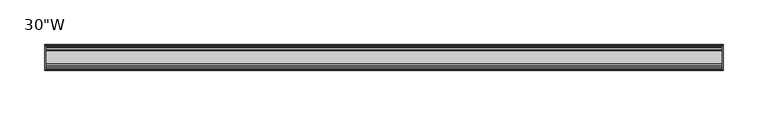
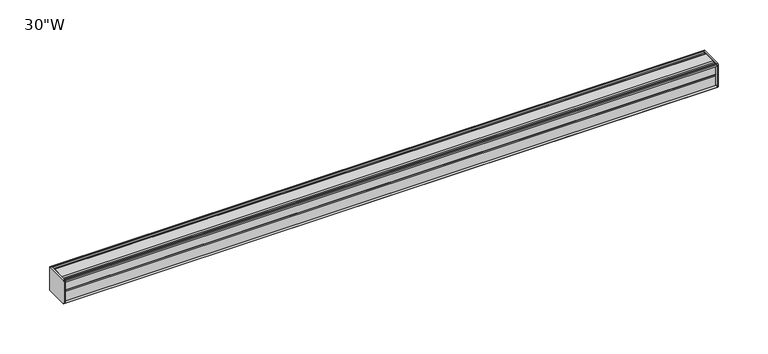
"""IFC4 building model written with IfcOpenShell, lengths in millimetres: furniture geometry."""

from ifc_helpers import new_model, si_unit, frame, origin, place, context, project, spatial, circle_curve, source, transform, mapped, element, save
from ifc_brep_helpers import plane_surface, cylinder_surface, advanced_brep


def furniture_2165369f(model_context):
    return source(origin(), model_context, "Body", "AdvancedBrep", [
        advanced_brep(
        [(379.4125, 14.5851562, 1370.1733137), (379.4125, 14.5851562, 1344.0229752), (379.4125, 14.4138595, 1343.2170872), (379.4125, 13.8374434, 1342.6406712), (379.4125, 12.9019306, 1342.3900006), (379.4125, -13.4067434, 1342.3900006), (379.4125, -14.3040014, 1343.2872586), (379.4125, -14.5851563, 1344.0556673), (379.4125, -14.5851563, 1369.9740202), (379.4125, -14.3040014, 1370.7424289), (379.4125, -13.4464303, 1371.6), (379.4125, 13.0500437, 1371.6), (379.4125, 13.8374434, 1371.3890163), (379.4125, 14.4138595, 1370.8126003), (381.0, 14.6248431, 1370.0252006), (381.0, 14.4138595, 1370.8126003), (381.0, 13.8374434, 1371.3890163), (381.0, 13.0500437, 1371.6), (381.0, -13.4464303, 1371.6), (381.0, -14.3040014, 1370.7424289), (381.0, -14.5851563, 1369.9740202), (381.0, -14.5851563, 1344.0556673), (381.0, -14.3040014, 1343.2872586), (381.0, -13.4067434, 1342.3900006), (381.0, 12.9019306, 1342.3900006), (381.0, 13.8374434, 1342.6406712), (381.0, 14.4138595, 1343.2170872), (381.0, 14.5851562, 1344.0229752)],
        [
            (0, 1),
            (1, 2),
            (2, 3),
            (3, 4),
            (4, 5),
            (5, 6),
            (6, 7, circle_curve(frame((379.4125, -13.3945313, 1344.0556673), z_axis=(-1.0, 0.0, 0.0), x_axis=(0.0, 1.0, 0.0)), 1.190625)),
            (7, 8),
            (8, 9, circle_curve(frame((379.4125, -13.3945313, 1369.9740202), z_axis=(-1.0, 0.0, 0.0), x_axis=(0.0, 1.0, 0.0)), 1.190625)),
            (9, 10),
            (10, 11),
            (11, 12),
            (12, 13),
            (13, 0),
            (14, 15),
            (15, 16),
            (16, 17),
            (17, 18),
            (18, 19),
            (19, 20, circle_curve(frame((381.0, -13.3945313, 1369.9740202), z_axis=(1.0, 0.0, 0.0), x_axis=(0.0, 1.0, 0.0)), 1.190625)),
            (20, 21),
            (21, 22, circle_curve(frame((381.0, -13.3945313, 1344.0556673), z_axis=(1.0, 0.0, 0.0), x_axis=(0.0, 1.0, 0.0)), 1.190625)),
            (22, 23),
            (23, 24),
            (24, 25),
            (25, 26),
            (26, 27),
            (27, 14),
            (13, 15),
            (14, 0),
            (12, 16),
            (11, 17),
            (10, 18),
            (9, 19),
            (8, 20),
            (7, 21),
            (6, 22),
            (5, 23),
            (4, 24),
            (3, 25),
            (2, 26),
            (1, 27),
        ],
        [
            plane_surface(frame((379.4125, 14.5851562, 1344.0229752), z_axis=(-1.0, 0.0, 0.0), x_axis=(0.0, 0.0, -1.0))),
            plane_surface(frame((381.0, 14.5851562, 1344.0229752), z_axis=(1.0, 0.0, 0.0), x_axis=(0.0, 0.0, 1.0))),
            plane_surface(frame((379.4125, 14.4138595, 1370.8126003), z_axis=(0.0, 0.9659256560349851, 0.25881968049857335), x_axis=(1.0, 0.0, 0.0))),
            plane_surface(frame((379.4125, 13.8374434, 1371.3890163), z_axis=(0.0, 0.7071067811866345, 0.7071067811864606), x_axis=(1.0, 0.0, 0.0))),
            plane_surface(frame((379.4125, 13.0500437, 1371.6), z_axis=(0.0, 0.2588196804711877, 0.9659256560423232), x_axis=(1.0, 0.0, 0.0))),
            plane_surface(frame((379.4125, -13.4464303, 1371.6), z_axis=(0.0, 0.0, 1.0), x_axis=(1.0, 0.0, 0.0))),
            plane_surface(frame((379.4125, -14.3040014, 1370.7424289), z_axis=(0.0, -0.70710678117674, 0.7071067811963553), x_axis=(1.0, 0.0, 0.0))),
            cylinder_surface(frame((381.0, -13.3945313, 1369.9740202), z_axis=(-1.0, 0.0, 0.0), x_axis=(0.0, 1.0, 0.0)), 1.190625),
            plane_surface(frame((379.4125, -14.5851563, 1344.0556673), z_axis=(0.0, -1.0, 0.0), x_axis=(1.0, 0.0, 0.0))),
            cylinder_surface(frame((381.0, -13.3945313, 1344.0556673), z_axis=(-1.0, 0.0, 0.0), x_axis=(0.0, 1.0, 0.0)), 1.190625),
            plane_surface(frame((379.4125, -13.4067434, 1342.3900006), z_axis=(0.0, -0.7071067811916553, -0.7071067811814398), x_axis=(1.0, 0.0, 0.0))),
            plane_surface(frame((379.4125, 12.9019306, 1342.3900006), z_axis=(0.0, 0.0, -1.0), x_axis=(1.0, 0.0, 0.0))),
            plane_surface(frame((379.4125, 13.8374434, 1342.6406712), z_axis=(0.0, 0.2588196804985645, -0.9659256560349875), x_axis=(1.0, 0.0, 0.0))),
            plane_surface(frame((379.4125, 14.4138595, 1343.2170872), z_axis=(0.0, 0.7071067811865204, -0.7071067811865748), x_axis=(1.0, 0.0, 0.0))),
            plane_surface(frame((379.4125, 14.5851562, 1344.0229752), z_axis=(0.0, 0.9781476007310527, -0.207911690830711), x_axis=(1.0, 0.0, 0.0))),
            plane_surface(frame((379.4125, 14.5851562, 1370.1733137), z_axis=(0.0, 1.0, 0.0), x_axis=(1.0, 0.0, 0.0))),
        ],
        [
            (0, [[1, 2, 3, 4, 5, 6, 7, 8, 9, 10, 11, 12, 13, 14]]),
            (1, [[15, 16, 17, 18, 19, 20, 21, 22, 23, 24, 25, 26, 27, 28]]),
            (2, [[-14, 29, -15, 30]]),
            (3, [[-13, 31, -16, -29]]),
            (4, [[-12, 32, -17, -31]]),
            (5, [[-11, 33, -18, -32]]),
            (6, [[-10, 34, -19, -33]]),
            (7, [[-9, 35, -20, -34]]),
            (8, [[-8, 36, -21, -35]]),
            (9, [[-7, 37, -22, -36]]),
            (10, [[-6, 38, -23, -37]]),
            (11, [[-5, 39, -24, -38]]),
            (12, [[-4, 40, -25, -39]]),
            (13, [[-3, 41, -26, -40]]),
            (14, [[-2, 42, -27, -41]]),
            (15, [[-1, -30, -28, -42]]),
        ],
    ),
        advanced_brep(
        [(-379.4125, 14.6248431, 1370.0252006), (-379.4125, 14.4138595, 1370.8126003), (-379.4125, 13.8374434, 1371.3890163), (-379.4125, 13.0500437, 1371.6), (-379.4125, -13.4464303, 1371.6), (-379.4125, -14.3040014, 1370.7424289), (-379.4125, -14.5851563, 1369.9740202), (-379.4125, -14.5851563, 1344.0556673), (-379.4125, -14.3040014, 1343.2872586), (-379.4125, -13.4067434, 1342.3900006), (-379.4125, 12.9019306, 1342.3900006), (-379.4125, 13.8374434, 1342.6406712), (-379.4125, 14.4138595, 1343.2170872), (-379.4125, 14.5851562, 1344.0229752), (-381.0, 14.5851562, 1370.1733137), (-381.0, 14.5851562, 1344.0229752), (-381.0, 14.4138595, 1343.2170872), (-381.0, 13.8374434, 1342.6406712), (-381.0, 12.9019306, 1342.3900006), (-381.0, -13.4067434, 1342.3900006), (-381.0, -14.3040014, 1343.2872586), (-381.0, -14.5851563, 1344.0556673), (-381.0, -14.5851563, 1369.9740202), (-381.0, -14.3040014, 1370.7424289), (-381.0, -13.4464303, 1371.6), (-381.0, 13.0500437, 1371.6), (-381.0, 13.8374434, 1371.3890163), (-381.0, 14.4138595, 1370.8126003)],
        [
            (0, 1),
            (1, 2),
            (2, 3),
            (3, 4),
            (4, 5),
            (5, 6, circle_curve(frame((-379.4125, -13.3945313, 1369.9740202), z_axis=(1.0, 0.0, 0.0), x_axis=(0.0, 1.0, 0.0)), 1.190625)),
            (6, 7),
            (7, 8, circle_curve(frame((-379.4125, -13.3945313, 1344.0556673), z_axis=(1.0, 0.0, 0.0), x_axis=(0.0, 1.0, 0.0)), 1.190625)),
            (8, 9),
            (9, 10),
            (10, 11),
            (11, 12),
            (12, 13),
            (13, 0),
            (14, 15),
            (15, 16),
            (16, 17),
            (17, 18),
            (18, 19),
            (19, 20),
            (20, 21, circle_curve(frame((-381.0, -13.3945313, 1344.0556673), z_axis=(-1.0, 0.0, 0.0), x_axis=(0.0, 1.0, 0.0)), 1.190625)),
            (21, 22),
            (22, 23, circle_curve(frame((-381.0, -13.3945313, 1369.9740202), z_axis=(-1.0, 0.0, 0.0), x_axis=(0.0, 1.0, 0.0)), 1.190625)),
            (23, 24),
            (24, 25),
            (25, 26),
            (26, 27),
            (27, 14),
            (0, 14),
            (27, 1),
            (26, 2),
            (25, 3),
            (24, 4),
            (23, 5),
            (22, 6),
            (21, 7),
            (20, 8),
            (19, 9),
            (18, 10),
            (17, 11),
            (16, 12),
            (15, 13),
        ],
        [
            plane_surface(frame((-379.4125, 14.6248431, 1370.0252006), z_axis=(1.0, 0.0, 0.0), x_axis=(0.0, -0.2588196804389644, 0.9659256560509574))),
            plane_surface(frame((-381.0, 14.6248431, 1370.0252006), z_axis=(-1.0, 0.0, 0.0), x_axis=(0.0, 0.2588196804389644, -0.9659256560509574))),
            plane_surface(frame((-379.4125, 14.6248431, 1370.0252006), z_axis=(0.0, 0.9659256560509574, 0.2588196804389644), x_axis=(-1.0, 0.0, 0.0))),
            plane_surface(frame((-379.4125, 14.4138595, 1370.8126003), z_axis=(0.0, 0.7071067810674612, 0.7071067813056339), x_axis=(-1.0, 0.0, 0.0))),
            plane_surface(frame((-379.4125, 13.8374434, 1371.3890163), z_axis=(0.0, 0.2588196804841774, 0.9659256560388426), x_axis=(-1.0, 0.0, 0.0))),
            plane_surface(frame((-379.4125, 13.0500437, 1371.6), z_axis=(0.0, 0.0, 1.0), x_axis=(-1.0, 0.0, 0.0))),
            plane_surface(frame((-379.4125, -13.4464303, 1371.6), z_axis=(0.0, -0.7071067811883577, 0.7071067811847374), x_axis=(-1.0, 0.0, 0.0))),
            cylinder_surface(frame((-381.0, -13.3945313, 1369.9740202), z_axis=(1.0, 0.0, 0.0), x_axis=(0.0, 1.0, 0.0)), 1.190625),
            plane_surface(frame((-379.4125, -14.5851563, 1369.9740202), z_axis=(0.0, -1.0, 0.0), x_axis=(-1.0, 0.0, 0.0))),
            cylinder_surface(frame((-381.0, -13.3945313, 1344.0556673), z_axis=(1.0, 0.0, 0.0), x_axis=(0.0, 1.0, 0.0)), 1.190625),
            plane_surface(frame((-379.4125, -14.3040014, 1343.2872586), z_axis=(0.0, -0.7071067811865341, -0.7071067811865609), x_axis=(-1.0, 0.0, 0.0))),
            plane_surface(frame((-379.4125, -13.4067434, 1342.3900006), z_axis=(0.0, 0.0, -1.0), x_axis=(-1.0, 0.0, 0.0))),
            plane_surface(frame((-379.4125, 12.9019306, 1342.3900006), z_axis=(0.0, 0.25881968049856513, -0.9659256560349874), x_axis=(-1.0, 0.0, 0.0))),
            plane_surface(frame((-379.4125, 13.8374434, 1342.6406712), z_axis=(0.0, 0.707106781186519, -0.7071067811865761), x_axis=(-1.0, 0.0, 0.0))),
            plane_surface(frame((-379.4125, 14.4138595, 1343.2170872), z_axis=(0.0, 0.9781476007314348, -0.20791169082891317), x_axis=(-1.0, 0.0, 0.0))),
            plane_surface(frame((-379.4125, 14.5851562, 1344.0229752), z_axis=(0.0, 1.0, 0.0), x_axis=(-1.0, 0.0, 0.0))),
        ],
        [
            (0, [[1, 2, 3, 4, 5, 6, 7, 8, 9, 10, 11, 12, 13, 14]]),
            (1, [[15, 16, 17, 18, 19, 20, 21, 22, 23, 24, 25, 26, 27, 28]]),
            (2, [[-1, 29, -28, 30]]),
            (3, [[-2, -30, -27, 31]]),
            (4, [[-3, -31, -26, 32]]),
            (5, [[-4, -32, -25, 33]]),
            (6, [[-5, -33, -24, 34]]),
            (7, [[-6, -34, -23, 35]]),
            (8, [[-7, -35, -22, 36]]),
            (9, [[-8, -36, -21, 37]]),
            (10, [[-9, -37, -20, 38]]),
            (11, [[-10, -38, -19, 39]]),
            (12, [[-11, -39, -18, 40]]),
            (13, [[-12, -40, -17, 41]]),
            (14, [[-13, -41, -16, 42]]),
            (15, [[-14, -42, -15, -29]]),
        ],
    ),
        advanced_brep(
        [(379.4125, -7.3748315, 1371.6), (379.4125, -8.9105708, 1370.5692671), (379.4125, -10.7601399, 1370.5692671), (379.4125, -12.2958792, 1371.6), (379.4125, -13.4464303, 1371.6), (379.4125, -14.3040014, 1370.7424289), (379.4125, -13.3945313, 1368.7833952), (379.4125, -13.3945313, 1369.6949995), (379.4125, -12.2039063, 1369.6949995), (379.4125, -12.2039063, 1357.7887507), (379.4125, -11.4101564, 1356.9950009), (379.4125, -12.2039063, 1356.2012511), (379.4125, -12.2039063, 1344.2950006), (379.4125, -13.3945313, 1344.2950006), (379.4125, -13.3945313, 1345.2462923), (379.4125, -14.3040014, 1343.2872586), (379.4125, -13.4067434, 1342.3900006), (379.4125, -12.2958792, 1342.3900006), (379.4125, -10.7601399, 1343.4207346), (379.4125, -8.9105708, 1343.4207346), (379.4125, -7.4339628, 1342.4296875), (379.4125, 7.4145184, 1342.4296875), (379.4125, 8.9502576, 1343.4604204), (379.4125, 10.7998291, 1343.4604204), (379.4125, 12.2275037, 1342.4296875), (379.4125, 13.0500437, 1342.4296875), (379.4125, 13.8374434, 1342.6406712), (379.4125, 14.4138595, 1343.2170872), (379.4125, 14.5851562, 1344.0229752), (379.4125, 14.5851562, 1370.1733137), (379.4125, 14.4138595, 1370.8126003), (379.4125, 13.8374434, 1371.3890163), (379.4125, 13.0500437, 1371.6), (379.4125, 12.2275037, 1371.6), (379.4125, 10.7998291, 1370.5692671), (379.4125, 8.9502576, 1370.5692671), (379.4125, 7.4145184, 1371.6), (-379.4125, -7.3748315, 1371.6), (-379.4125, 7.4145184, 1371.6), (-379.4125, 8.9502576, 1370.5692671), (-379.4125, 10.7998291, 1370.5692671), (-379.4125, 12.2275037, 1371.6), (-379.4125, 13.0500437, 1371.6), (-379.4125, 13.8374434, 1371.3890163), (-379.4125, 14.4138595, 1370.8126003), (-379.4125, 14.6248431, 1370.0252006), (-379.4125, 14.5851562, 1344.0229752), (-379.4125, 14.4138595, 1343.2170872), (-379.4125, 13.8374434, 1342.6406712), (-379.4125, 13.0500437, 1342.4296875), (-379.4125, 12.2275037, 1342.4296875), (-379.4125, 10.7998291, 1343.4604204), (-379.4125, 8.9502576, 1343.4604204), (-379.4125, 7.4145184, 1342.4296875), (-379.4125, -7.4339628, 1342.4296875), (-379.4125, -8.9105708, 1343.4207346), (-379.4125, -10.7601399, 1343.4207346), (-379.4125, -12.2958792, 1342.3900006), (-379.4125, -13.4067434, 1342.3900006), (-379.4125, -14.3040014, 1343.2872586), (-379.4125, -13.3945313, 1345.2462923), (-379.4125, -13.3945313, 1344.2950006), (-379.4125, -12.2039063, 1344.2950006), (-379.4125, -12.2039063, 1356.2012511), (-379.4125, -11.4101564, 1356.9950009), (-379.4125, -12.2039063, 1357.7887507), (-379.4125, -12.2039063, 1369.6949995), (-379.4125, -13.3945313, 1369.6949995), (-379.4125, -13.3945313, 1368.7833952), (-379.4125, -14.3040014, 1370.7424289), (-379.4125, -13.4464303, 1371.6), (-379.4125, -12.2958792, 1371.6), (-379.4125, -10.7601399, 1370.5692671), (-379.4125, -8.9105708, 1370.5692671)],
        [
            (0, 1),
            (1, 2),
            (2, 3),
            (3, 4),
            (4, 5),
            (5, 6, circle_curve(frame((379.4125, -13.3945313, 1369.9740202), z_axis=(1.0, 0.0, 0.0), x_axis=(0.0, 1.0, 0.0)), 1.190625)),
            (6, 7),
            (7, 8),
            (8, 9),
            (9, 10),
            (10, 11),
            (11, 12),
            (12, 13),
            (13, 14),
            (14, 15, circle_curve(frame((379.4125, -13.3945313, 1344.0556673), z_axis=(1.0, 0.0, 0.0), x_axis=(0.0, 1.0, 0.0)), 1.190625)),
            (15, 16),
            (16, 17),
            (17, 18),
            (18, 19),
            (19, 20),
            (20, 21),
            (21, 22),
            (22, 23),
            (23, 24),
            (24, 25),
            (25, 26),
            (26, 27),
            (27, 28),
            (28, 29),
            (29, 30),
            (30, 31),
            (31, 32),
            (32, 33),
            (33, 34),
            (34, 35),
            (35, 36),
            (36, 0),
            (37, 38),
            (38, 39),
            (39, 40),
            (40, 41),
            (41, 42),
            (42, 43),
            (43, 44),
            (44, 45),
            (45, 46),
            (46, 47),
            (47, 48),
            (48, 49),
            (49, 50),
            (50, 51),
            (51, 52),
            (52, 53),
            (53, 54),
            (54, 55),
            (55, 56),
            (56, 57),
            (57, 58),
            (58, 59),
            (59, 60, circle_curve(frame((-379.4125, -13.3945313, 1344.0556673), z_axis=(-1.0, 0.0, 0.0), x_axis=(0.0, 1.0, 0.0)), 1.190625)),
            (60, 61),
            (61, 62),
            (62, 63),
            (63, 64),
            (64, 65),
            (65, 66),
            (66, 67),
            (67, 68),
            (68, 69, circle_curve(frame((-379.4125, -13.3945313, 1369.9740202), z_axis=(-1.0, 0.0, 0.0), x_axis=(0.0, 1.0, 0.0)), 1.190625)),
            (69, 70),
            (70, 71),
            (71, 72),
            (72, 73),
            (73, 37),
            (0, 37),
            (73, 1),
            (72, 2),
            (71, 3),
            (70, 4),
            (69, 5),
            (68, 6),
            (67, 7),
            (66, 8),
            (65, 9),
            (64, 10),
            (63, 11),
            (62, 12),
            (61, 13),
            (60, 14),
            (59, 15),
            (58, 16),
            (57, 17),
            (56, 18),
            (55, 19),
            (54, 20),
            (53, 21),
            (52, 22),
            (51, 23),
            (50, 24),
            (49, 25),
            (48, 26),
            (47, 27),
            (46, 28),
            (45, 29),
            (44, 30),
            (43, 31),
            (42, 32),
            (41, 33),
            (40, 34),
            (39, 35),
            (38, 36),
        ],
        [
            plane_surface(frame((379.4125, -7.3748315, 1371.6), z_axis=(1.0, 0.0, 0.0), x_axis=(0.0, -0.8303227972603312, -0.5572827400429506))),
            plane_surface(frame((-379.4125, -7.3748315, 1371.6), z_axis=(-1.0, 0.0, 0.0), x_axis=(0.0, 0.8303227972603312, 0.5572827400429506))),
            plane_surface(frame((379.4125, -7.3748315, 1371.6), z_axis=(0.0, -0.5572827400429506, 0.8303227972603312), x_axis=(-1.0, 0.0, 0.0))),
            plane_surface(frame((379.4125, -8.9105708, 1370.5692671), z_axis=(0.0, 0.0, 1.0), x_axis=(-1.0, 0.0, 0.0))),
            plane_surface(frame((379.4125, -10.7601399, 1370.5692671), z_axis=(0.0, 0.557282740042951, 0.8303227972603311), x_axis=(-1.0, 0.0, 0.0))),
            plane_surface(frame((379.4125, -12.2958792, 1371.6), z_axis=(0.0, 0.0, 1.0), x_axis=(-1.0, 0.0, 0.0))),
            plane_surface(frame((379.4125, -13.4464303, 1371.6), z_axis=(0.0, -0.7071067811814327, 0.7071067811916624), x_axis=(-1.0, 0.0, 0.0))),
            cylinder_surface(frame((-379.4125, -13.3945313, 1369.9740202), z_axis=(1.0, 0.0, 0.0), x_axis=(0.0, 1.0, 0.0)), 1.190625),
            plane_surface(frame((379.4125, -13.3945313, 1368.7833952), z_axis=(0.0, 1.0, 0.0), x_axis=(-1.0, 0.0, 0.0))),
            plane_surface(frame((379.4125, -13.3945313, 1369.6949995), z_axis=(0.0, 0.0, -1.0), x_axis=(-1.0, 0.0, 0.0))),
            plane_surface(frame((379.4125, -12.2039063, 1369.6949995), z_axis=(0.0, -1.0, 0.0), x_axis=(-1.0, 0.0, 0.0))),
            plane_surface(frame((379.4125, -12.2039063, 1357.7887507), z_axis=(0.0, -0.7071067811865146, -0.7071067811865805), x_axis=(-1.0, 0.0, 0.0))),
            plane_surface(frame((379.4125, -11.4101564, 1356.9950009), z_axis=(0.0, -0.7071067811865522, 0.7071067811865428), x_axis=(-1.0, 0.0, 0.0))),
            plane_surface(frame((379.4125, -12.2039063, 1356.2012511), z_axis=(0.0, -1.0, 0.0), x_axis=(-1.0, 0.0, 0.0))),
            plane_surface(frame((379.4125, -12.2039063, 1344.2950006), z_axis=(0.0, 0.0, 1.0), x_axis=(-1.0, 0.0, 0.0))),
            plane_surface(frame((379.4125, -13.3945313, 1344.2950006), z_axis=(0.0, 1.0, 0.0), x_axis=(-1.0, 0.0, 0.0))),
            cylinder_surface(frame((-379.4125, -13.3945313, 1344.0556673), z_axis=(1.0, 0.0, 0.0), x_axis=(0.0, 1.0, 0.0)), 1.190625),
            plane_surface(frame((379.4125, -14.3040014, 1343.2872586), z_axis=(0.0, -0.7071067811865892, -0.7071067811865058), x_axis=(-1.0, 0.0, 0.0))),
            plane_surface(frame((379.4125, -13.4067434, 1342.3900006), z_axis=(0.0, 0.0, -1.0), x_axis=(-1.0, 0.0, 0.0))),
            plane_surface(frame((379.4125, -12.2958792, 1342.3900006), z_axis=(0.0, 0.5572831632988446, -0.8303225131860712), x_axis=(-1.0, 0.0, 0.0))),
            plane_surface(frame((379.4125, -10.7601399, 1343.4207346), z_axis=(0.0, 0.0, -1.0), x_axis=(-1.0, 0.0, 0.0))),
            plane_surface(frame((379.4125, -8.9105708, 1343.4207346), z_axis=(0.0, -0.5572831633036728, -0.8303225131828307), x_axis=(-1.0, 0.0, 0.0))),
            plane_surface(frame((379.4125, -7.4339628, 1342.4296875), z_axis=(0.0, 0.0, -1.0), x_axis=(-1.0, 0.0, 0.0))),
            plane_surface(frame((379.4125, 7.4145184, 1342.4296875), z_axis=(0.0, 0.5572827400522353, -0.8303227972540997), x_axis=(-1.0, 0.0, 0.0))),
            plane_surface(frame((379.4125, 8.9502576, 1343.4604204), z_axis=(0.0, 0.0, -1.0), x_axis=(-1.0, 0.0, 0.0))),
            plane_surface(frame((379.4125, 10.7998291, 1343.4604204), z_axis=(0.0, -0.5853541342124147, -0.8107777362264177), x_axis=(-1.0, 0.0, 0.0))),
            plane_surface(frame((379.4125, 12.2275037, 1342.4296875), z_axis=(0.0, 0.0, -1.0), x_axis=(-1.0, 0.0, 0.0))),
            plane_surface(frame((379.4125, 13.0500437, 1342.4296875), z_axis=(0.0, 0.2588196804985639, -0.9659256560349877), x_axis=(-1.0, 0.0, 0.0))),
            plane_surface(frame((379.4125, 13.8374434, 1342.6406712), z_axis=(0.0, 0.7071067811865592, -0.7071067811865358), x_axis=(-1.0, 0.0, 0.0))),
            plane_surface(frame((379.4125, 14.4138595, 1343.2170872), z_axis=(0.0, 0.9781476007314349, -0.20791169082891267), x_axis=(-1.0, 0.0, 0.0))),
            plane_surface(frame((379.4125, 14.5851562, 1344.0229752), z_axis=(0.0, 1.0, 0.0), x_axis=(-1.0, 0.0, 0.0))),
            plane_surface(frame((379.4125, 14.6248431, 1370.0252006), z_axis=(0.0, 0.9659256560510241, 0.2588196804387156), x_axis=(-1.0, 0.0, 0.0))),
            plane_surface(frame((379.4125, 14.4138595, 1370.8126003), z_axis=(0.0, 0.7071067810668268, 0.7071067813062683), x_axis=(-1.0, 0.0, 0.0))),
            plane_surface(frame((379.4125, 13.8374434, 1371.3890163), z_axis=(0.0, 0.2588196804843108, 0.9659256560388069), x_axis=(-1.0, 0.0, 0.0))),
            plane_surface(frame((379.4125, 13.0500437, 1371.6), z_axis=(0.0, 0.0, 1.0), x_axis=(-1.0, 0.0, 0.0))),
            plane_surface(frame((379.4125, 12.2275037, 1371.6), z_axis=(0.0, -0.5853541342077658, 0.810777736229774), x_axis=(-1.0, 0.0, 0.0))),
            plane_surface(frame((379.4125, 10.7998291, 1370.5692671), z_axis=(0.0, 0.0, 1.0), x_axis=(-1.0, 0.0, 0.0))),
            plane_surface(frame((379.4125, 8.9502576, 1370.5692671), z_axis=(0.0, 0.557282740042951, 0.8303227972603311), x_axis=(-1.0, 0.0, 0.0))),
            plane_surface(frame((379.4125, 7.4145184, 1371.6), z_axis=(0.0, 0.0, 1.0), x_axis=(-1.0, 0.0, 0.0))),
        ],
        [
            (0, [[1, 2, 3, 4, 5, 6, 7, 8, 9, 10, 11, 12, 13, 14, 15, 16, 17, 18, 19, 20, 21, 22, 23, 24, 25, 26, 27, 28, 29, 30, 31, 32, 33, 34, 35, 36, 37]]),
            (1, [[38, 39, 40, 41, 42, 43, 44, 45, 46, 47, 48, 49, 50, 51, 52, 53, 54, 55, 56, 57, 58, 59, 60, 61, 62, 63, 64, 65, 66, 67, 68, 69, 70, 71, 72, 73, 74]]),
            (2, [[-1, 75, -74, 76]]),
            (3, [[-2, -76, -73, 77]]),
            (4, [[-3, -77, -72, 78]]),
            (5, [[-4, -78, -71, 79]]),
            (6, [[-5, -79, -70, 80]]),
            (7, [[-6, -80, -69, 81]]),
            (8, [[-7, -81, -68, 82]]),
            (9, [[-8, -82, -67, 83]]),
            (10, [[-9, -83, -66, 84]]),
            (11, [[-10, -84, -65, 85]]),
            (12, [[-11, -85, -64, 86]]),
            (13, [[-12, -86, -63, 87]]),
            (14, [[-13, -87, -62, 88]]),
            (15, [[-14, -88, -61, 89]]),
            (16, [[-15, -89, -60, 90]]),
            (17, [[-16, -90, -59, 91]]),
            (18, [[-17, -91, -58, 92]]),
            (19, [[-18, -92, -57, 93]]),
            (20, [[-19, -93, -56, 94]]),
            (21, [[-20, -94, -55, 95]]),
            (22, [[-21, -95, -54, 96]]),
            (23, [[-22, -96, -53, 97]]),
            (24, [[-23, -97, -52, 98]]),
            (25, [[-24, -98, -51, 99]]),
            (26, [[-25, -99, -50, 100]]),
            (27, [[-26, -100, -49, 101]]),
            (28, [[-27, -101, -48, 102]]),
            (29, [[-28, -102, -47, 103]]),
            (30, [[-29, -103, -46, 104]]),
            (31, [[-30, -104, -45, 105]]),
            (32, [[-31, -105, -44, 106]]),
            (33, [[-32, -106, -43, 107]]),
            (34, [[-33, -107, -42, 108]]),
            (35, [[-34, -108, -41, 109]]),
            (36, [[-35, -109, -40, 110]]),
            (37, [[-36, -110, -39, 111]]),
            (38, [[-37, -111, -38, -75]]),
        ],
    ),
    ])


if __name__ == "__main__":
    model = new_model("IFC4")
    model_context = context("Model", 3, world=origin())
    ifc_project = project(units=[si_unit("LENGTHUNIT", "METRE", prefix="MILLI")], contexts=[model_context])
    site = spatial("IfcSite", under=ifc_project)
    building = spatial("IfcBuilding", under=site)
    placement = place(None, origin())
    furniture_shape = furniture_2165369f(model_context)
    element("IfcFurniture", 1, ObjectType="30\"W", at=placement, inside=building, context=model_context, shape_type="MappedRepresentation", body=[
        mapped(furniture_shape, transform((0.0, 0.0, 0.0), x_axis=(1.0, 0.0, 0.0), y_axis=(0.0, 1.0, 0.0), z_axis=(0.0, 0.0, 1.0))),
    ])
    save(model, "model.ifc")
